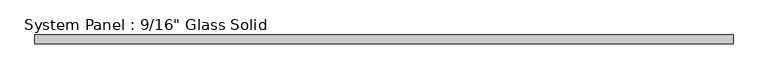
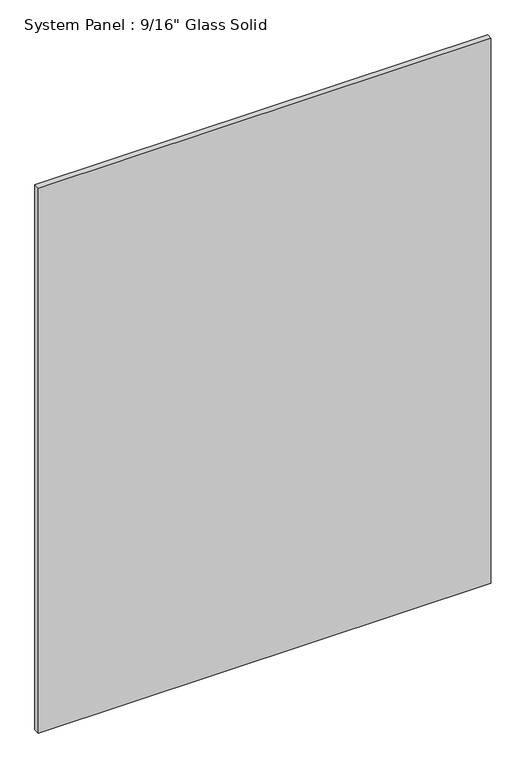
"""IFC4 building model written with IfcOpenShell, lengths in millimetres: plate geometry."""

from ifc_helpers import new_model, si_unit, origin, origin_with_axes, place, context, project, spatial, polyline, outline, extrude, source, transform, mapped, element, save


def plate_28077568(model_context):
    return source(origin(), model_context, "Body", "SweptSolid", [
        extrude(outline(polyline([(562.5555865, -7.14375), (-562.5555865, -7.14375), (-562.5555865, 7.14375), (562.5555865, 7.14375), (562.5555865, -7.14375)])), origin_with_axes(), (0.0, 0.0, 1.0), 1431.8144027),
    ])


if __name__ == "__main__":
    model = new_model("IFC4")
    model_context = context("Model", 3, world=origin())
    ifc_project = project(units=[si_unit("LENGTHUNIT", "METRE", prefix="MILLI")], contexts=[model_context])
    site = spatial("IfcSite", under=ifc_project)
    building = spatial("IfcBuilding", under=site)
    placement = place(None, origin())
    plate_shape = plate_28077568(model_context)
    element("IfcPlate", 1, ObjectType="System Panel : 9/16\" Glass Solid", at=placement, inside=building, context=model_context, shape_type="MappedRepresentation", body=[
        mapped(plate_shape, transform((0.0, 0.0, 0.0), x_axis=(1.0, 0.0, 0.0), y_axis=(0.0, 1.0, 0.0), z_axis=(0.0, 0.0, 1.0))),
    ])
    save(model, "model.ifc")
